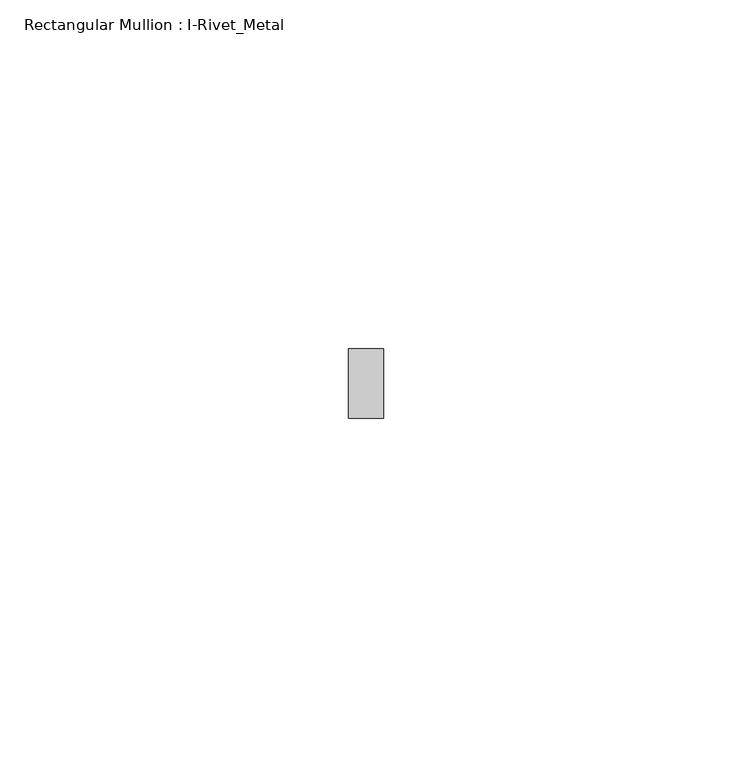
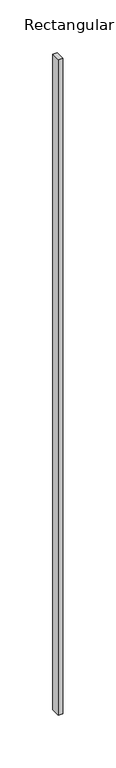
"""IFC4 building model written with IfcOpenShell, lengths in millimetres: member geometry, Rectangular Mullion : I-Rivet_Metal."""

from ifc_helpers import new_model, si_unit, frame, origin, place, context, project, spatial, polyline, outline, extrude, source, transform, mapped, element, save


def rectangular_mullion_i_rivet_metal_091aacba(model_context):
    return source(origin(), model_context, "Body", "SweptSolid", [
        extrude(outline(polyline([(2.5, 70.0), (-2.5, 70.0), (-2.5, 80.0), (2.5, 80.0), (2.5, 70.0)])), frame((0.0, 0.0, -757.1830442), z_axis=(0.0, 0.0, 1.0), x_axis=(1.0, 0.0, 0.0)), (0.0, 0.0, 1.0), 757.1830442),
    ])


if __name__ == "__main__":
    model = new_model("IFC4")
    model_context = context("Model", 3, world=origin())
    ifc_project = project(units=[si_unit("LENGTHUNIT", "METRE", prefix="MILLI")], contexts=[model_context])
    site = spatial("IfcSite", under=ifc_project)
    building = spatial("IfcBuilding", under=site)
    placement = place(None, origin())
    rectangular_mullion_i_rivet_metal_shape = rectangular_mullion_i_rivet_metal_091aacba(model_context)
    element("IfcMember", 1, ObjectType="Rectangular Mullion : I-Rivet_Metal", at=placement, inside=building, context=model_context, shape_type="MappedRepresentation", body=[
        mapped(rectangular_mullion_i_rivet_metal_shape, transform((0.0, 0.0, 0.0), x_axis=(1.0, 0.0, 0.0), y_axis=(0.0, 1.0, 0.0), z_axis=(0.0, 0.0, 1.0))),
    ])
    save(model, "model.ifc")
